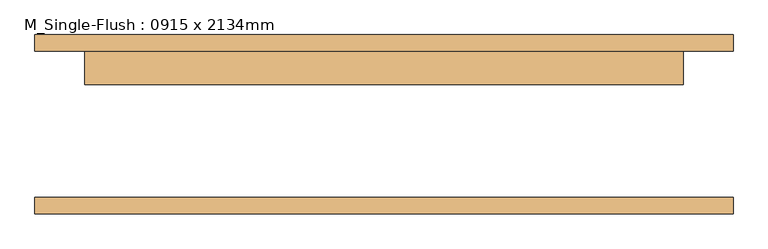
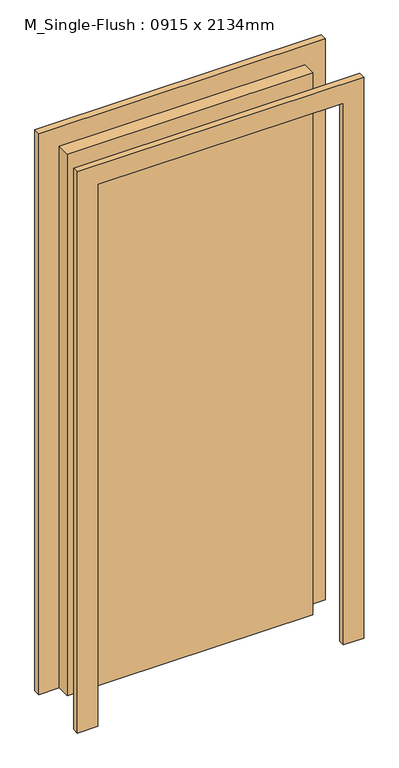
"""IFC4 building model written with IfcOpenShell, lengths in millimetres: door geometry, M_Single-Flush : 0915 x 2134mm."""

from ifc_helpers import new_model, si_unit, frame, origin, origin_with_axes, place, context, project, spatial, polyline, outline, extrude, source, transform, mapped, element, save


def m_single_flush_0915_x_2134mm_4aa30363(model_context):
    return source(origin(), model_context, "Body", "SweptSolid", [
        extrude(outline(polyline([(2210.0, -533.5), (0.0, -533.5), (0.0, -457.5), (2134.0, -457.5), (2134.0, 457.5), (0.0, 457.5), (0.0, 533.5), (2210.0, 533.5), (2210.0, -533.5)])), frame((0.0, 112.0, 0.0), z_axis=(0.0, 1.0, 0.0), x_axis=(0.0, 0.0, 1.0)), (0.0, 0.0, 1.0), 25.0),
        extrude(outline(polyline([(2210.0, 533.5), (2210.0, -533.5), (0.0, -533.5), (0.0, -457.5), (2134.0, -457.5), (2134.0, 457.5), (0.0, 457.5), (0.0, 533.5), (2210.0, 533.5)])), frame((0.0, -137.0, 0.0), z_axis=(0.0, 1.0, 0.0), x_axis=(0.0, 0.0, 1.0)), (0.0, 0.0, 1.0), 25.0),
        extrude(outline(polyline([(457.5, 61.0), (-457.5, 61.0), (-457.5, 112.0), (457.5, 112.0), (457.5, 61.0)])), origin_with_axes(), (0.0, 0.0, 1.0), 2134.0),
    ])


if __name__ == "__main__":
    model = new_model("IFC4")
    model_context = context("Model", 3, world=origin())
    ifc_project = project(units=[si_unit("LENGTHUNIT", "METRE", prefix="MILLI")], contexts=[model_context])
    site = spatial("IfcSite", under=ifc_project)
    building = spatial("IfcBuilding", under=site)
    placement = place(None, origin())
    m_single_flush_0915_x_2134mm_shape = m_single_flush_0915_x_2134mm_4aa30363(model_context)
    element("IfcDoor", 1, ObjectType="M_Single-Flush : 0915 x 2134mm", at=placement, inside=building, context=model_context, shape_type="MappedRepresentation", body=[
        mapped(m_single_flush_0915_x_2134mm_shape, transform((0.0, 0.0, 0.0), x_axis=(1.0, 0.0, 0.0), y_axis=(0.0, 1.0, 0.0), z_axis=(0.0, 0.0, 1.0))),
    ])
    save(model, "model.ifc")
